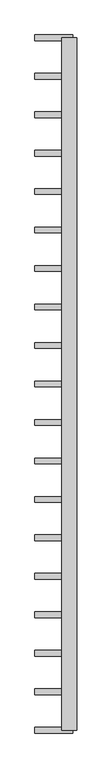
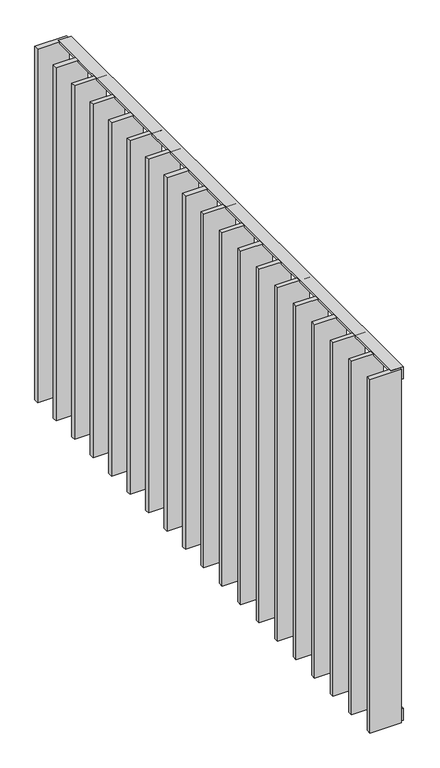
"""IFC4 building model written with IfcOpenShell, lengths in millimetres: railing geometry."""

from ifc_helpers import new_model, si_unit, frame, origin, place, context, project, spatial, polyline, outline, extrude, source, transform, mapped, element, save


def railing_6fb6999d(model_context):
    return source(origin(), model_context, "Body", "SweptSolid", [
        extrude(outline(polyline([(6.0, -14.0), (40.0, -14.0), (40.0, -20.0), (0.0, -20.0), (0.0, 20.0), (6.0, 20.0), (6.0, -14.0)])), frame((42559.5112278, 23170.9194272, 8000.0), z_axis=(-2.546522699668751e-12, 1.0, 0.0), x_axis=(0.0, 0.0, -1.0)), (0.0, 0.0, 1.0), 1820.0),
        extrude(outline(polyline([(-6.0, -14.0), (-6.0, 20.0), (0.0, 20.0), (0.0, -20.0), (-40.0, -20.0), (-40.0, -14.0), (-6.0, -14.0)])), frame((42559.5112278, 23170.9194272, 6820.0), z_axis=(-2.546522699668751e-12, 1.0, 0.0), x_axis=(0.0, 0.0, -1.0)), (0.0, 0.0, 1.0), 1820.0),
        extrude(outline(polyline([(42569.5112278, 23279.5305383), (42569.5112278, 23264.5305383), (42469.5112278, 23264.5305383), (42469.5112278, 23279.5305383), (42569.5112278, 23279.5305383)])), frame((0.0, 0.0, 6819.9), z_axis=(0.0, 0.0, 1.0), x_axis=(1.0, 0.0, 0.0)), (0.0, 0.0, 1.0), 1180.2),
        extrude(outline(polyline([(42569.5112278, 23380.6416494), (42569.5112278, 23365.6416494), (42469.5112278, 23365.6416494), (42469.5112278, 23380.6416494), (42569.5112278, 23380.6416494)])), frame((0.0, 0.0, 6819.9), z_axis=(0.0, 0.0, 1.0), x_axis=(1.0, 0.0, 0.0)), (0.0, 0.0, 1.0), 1180.2),
        extrude(outline(polyline([(42569.5112278, 23481.7527605), (42569.5112278, 23466.7527605), (42469.5112278, 23466.7527605), (42469.5112278, 23481.7527605), (42569.5112278, 23481.7527605)])), frame((0.0, 0.0, 6819.9), z_axis=(0.0, 0.0, 1.0), x_axis=(1.0, 0.0, 0.0)), (0.0, 0.0, 1.0), 1180.2),
        extrude(outline(polyline([(42569.5112278, 23582.8638716), (42569.5112278, 23567.8638716), (42469.5112278, 23567.8638716), (42469.5112278, 23582.8638716), (42569.5112278, 23582.8638716)])), frame((0.0, 0.0, 6819.9), z_axis=(0.0, 0.0, 1.0), x_axis=(1.0, 0.0, 0.0)), (0.0, 0.0, 1.0), 1180.2),
        extrude(outline(polyline([(42569.5112278, 23683.9749827), (42569.5112278, 23668.9749827), (42469.5112278, 23668.9749827), (42469.5112278, 23683.9749827), (42569.5112278, 23683.9749827)])), frame((0.0, 0.0, 6819.9), z_axis=(0.0, 0.0, 1.0), x_axis=(1.0, 0.0, 0.0)), (0.0, 0.0, 1.0), 1180.2),
        extrude(outline(polyline([(42569.5112278, 23785.0860938), (42569.5112278, 23770.0860938), (42469.5112278, 23770.0860938), (42469.5112278, 23785.0860938), (42569.5112278, 23785.0860938)])), frame((0.0, 0.0, 6819.9), z_axis=(0.0, 0.0, 1.0), x_axis=(1.0, 0.0, 0.0)), (0.0, 0.0, 1.0), 1180.2),
        extrude(outline(polyline([(42569.5112278, 23886.1972049), (42569.5112278, 23871.1972049), (42469.5112278, 23871.1972049), (42469.5112278, 23886.1972049), (42569.5112278, 23886.1972049)])), frame((0.0, 0.0, 6819.9), z_axis=(0.0, 0.0, 1.0), x_axis=(1.0, 0.0, 0.0)), (0.0, 0.0, 1.0), 1180.2),
        extrude(outline(polyline([(42569.5112278, 23987.308316), (42569.5112278, 23972.308316), (42469.5112278, 23972.308316), (42469.5112278, 23987.308316), (42569.5112278, 23987.308316)])), frame((0.0, 0.0, 6819.9), z_axis=(0.0, 0.0, 1.0), x_axis=(1.0, 0.0, 0.0)), (0.0, 0.0, 1.0), 1180.2),
        extrude(outline(polyline([(42569.5112278, 24088.4194272), (42569.5112278, 24073.4194272), (42469.5112278, 24073.4194272), (42469.5112278, 24088.4194272), (42569.5112278, 24088.4194272)])), frame((0.0, 0.0, 6819.9), z_axis=(0.0, 0.0, 1.0), x_axis=(1.0, 0.0, 0.0)), (0.0, 0.0, 1.0), 1180.2),
        extrude(outline(polyline([(42569.5112278, 24189.5305383), (42569.5112278, 24174.5305383), (42469.5112278, 24174.5305383), (42469.5112278, 24189.5305383), (42569.5112278, 24189.5305383)])), frame((0.0, 0.0, 6819.9), z_axis=(0.0, 0.0, 1.0), x_axis=(1.0, 0.0, 0.0)), (0.0, 0.0, 1.0), 1180.2),
        extrude(outline(polyline([(42569.5112278, 24290.6416494), (42569.5112278, 24275.6416494), (42469.5112278, 24275.6416494), (42469.5112278, 24290.6416494), (42569.5112278, 24290.6416494)])), frame((0.0, 0.0, 6819.9), z_axis=(0.0, 0.0, 1.0), x_axis=(1.0, 0.0, 0.0)), (0.0, 0.0, 1.0), 1180.2),
        extrude(outline(polyline([(42569.5112278, 24391.7527605), (42569.5112278, 24376.7527605), (42469.5112278, 24376.7527605), (42469.5112278, 24391.7527605), (42569.5112278, 24391.7527605)])), frame((0.0, 0.0, 6819.9), z_axis=(0.0, 0.0, 1.0), x_axis=(1.0, 0.0, 0.0)), (0.0, 0.0, 1.0), 1180.2),
        extrude(outline(polyline([(42569.5112278, 24492.8638716), (42569.5112278, 24477.8638716), (42469.5112278, 24477.8638716), (42469.5112278, 24492.8638716), (42569.5112278, 24492.8638716)])), frame((0.0, 0.0, 6819.9), z_axis=(0.0, 0.0, 1.0), x_axis=(1.0, 0.0, 0.0)), (0.0, 0.0, 1.0), 1180.2),
        extrude(outline(polyline([(42569.5112278, 24593.9749827), (42569.5112278, 24578.9749827), (42469.5112278, 24578.9749827), (42469.5112278, 24593.9749827), (42569.5112278, 24593.9749827)])), frame((0.0, 0.0, 6819.9), z_axis=(0.0, 0.0, 1.0), x_axis=(1.0, 0.0, 0.0)), (0.0, 0.0, 1.0), 1180.2),
        extrude(outline(polyline([(42569.5112278, 24695.0860938), (42569.5112278, 24680.0860938), (42469.5112278, 24680.0860938), (42469.5112278, 24695.0860938), (42569.5112278, 24695.0860938)])), frame((0.0, 0.0, 6819.9), z_axis=(0.0, 0.0, 1.0), x_axis=(1.0, 0.0, 0.0)), (0.0, 0.0, 1.0), 1180.2),
        extrude(outline(polyline([(42569.5112278, 24796.1972049), (42569.5112278, 24781.1972049), (42469.5112278, 24781.1972049), (42469.5112278, 24796.1972049), (42569.5112278, 24796.1972049)])), frame((0.0, 0.0, 6819.9), z_axis=(0.0, 0.0, 1.0), x_axis=(1.0, 0.0, 0.0)), (0.0, 0.0, 1.0), 1180.2),
        extrude(outline(polyline([(42569.5112278, 24897.308316), (42569.5112278, 24882.308316), (42469.5112278, 24882.308316), (42469.5112278, 24897.308316), (42569.5112278, 24897.308316)])), frame((0.0, 0.0, 6819.9), z_axis=(0.0, 0.0, 1.0), x_axis=(1.0, 0.0, 0.0)), (0.0, 0.0, 1.0), 1180.2),
        extrude(outline(polyline([(42569.5112278, 23178.4194272), (42569.5112278, 23163.4194272), (42469.5112278, 23163.4194272), (42469.5112278, 23178.4194272), (42569.5112278, 23178.4194272)])), frame((0.0, 0.0, 6819.9), z_axis=(0.0, 0.0, 1.0), x_axis=(1.0, 0.0, 0.0)), (0.0, 0.0, 1.0), 1180.2),
        extrude(outline(polyline([(42569.5112278, 24998.4194272), (42569.5112278, 24983.4194272), (42469.5112278, 24983.4194272), (42469.5112278, 24998.4194272), (42569.5112278, 24998.4194272)])), frame((0.0, 0.0, 6819.9), z_axis=(0.0, 0.0, 1.0), x_axis=(1.0, 0.0, 0.0)), (0.0, 0.0, 1.0), 1180.2),
    ])


if __name__ == "__main__":
    model = new_model("IFC4")
    model_context = context("Model", 3, world=origin())
    ifc_project = project(units=[si_unit("LENGTHUNIT", "METRE", prefix="MILLI")], contexts=[model_context])
    site = spatial("IfcSite", under=ifc_project)
    building = spatial("IfcBuilding", under=site)
    placement = place(None, origin())
    railing_shape = railing_6fb6999d(model_context)
    element("IfcRailing", 1, at=placement, inside=building, context=model_context, shape_type="MappedRepresentation", body=[
        mapped(railing_shape, transform((0.0, 0.0, 0.0), x_axis=(1.0, 0.0, 0.0), y_axis=(0.0, 1.0, 0.0), z_axis=(0.0, 0.0, 1.0))),
    ])
    save(model, "model.ifc")
